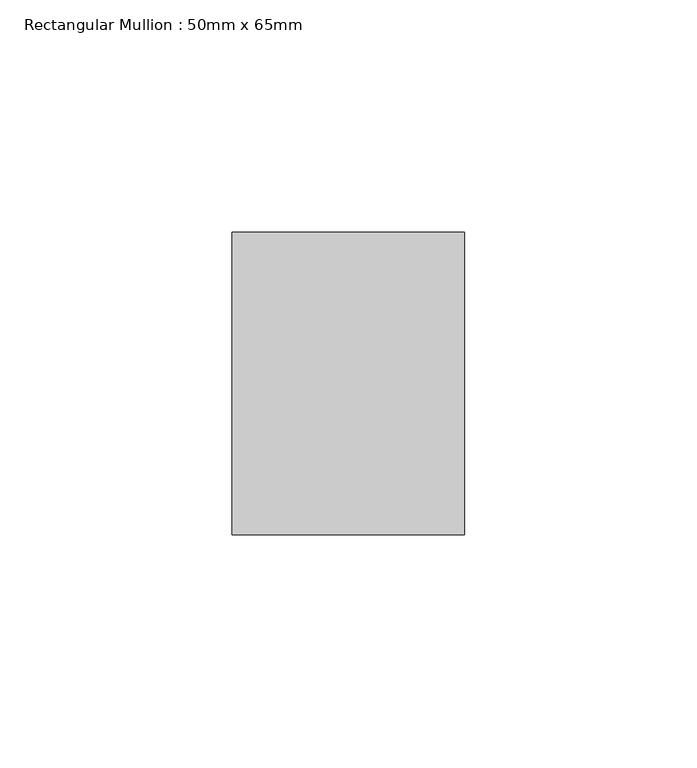
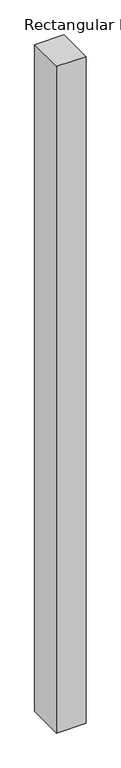
"""IFC4 building model written with IfcOpenShell, lengths in millimetres: member geometry, Rectangular Mullion : 50mm x 65mm."""

from ifc_helpers import new_model, si_unit, frame, origin, place, context, project, spatial, polyline, outline, extrude, source, transform, mapped, element, save


def rectangular_mullion_50mm_x_65mm_d4d91e7b(model_context):
    return source(origin(), model_context, "Body", "SweptSolid", [
        extrude(outline(polyline([(25.0, 32.5), (25.0, -32.5), (-25.0, -32.5), (-25.0, 32.5), (25.0, 32.5)])), frame((0.0, 0.0, -1205.1794232), z_axis=(0.0, 0.0, 1.0), x_axis=(1.0, 0.0, 0.0)), (0.0, 0.0, 1.0), 1205.1794232),
    ])


if __name__ == "__main__":
    model = new_model("IFC4")
    model_context = context("Model", 3, world=origin())
    ifc_project = project(units=[si_unit("LENGTHUNIT", "METRE", prefix="MILLI")], contexts=[model_context])
    site = spatial("IfcSite", under=ifc_project)
    building = spatial("IfcBuilding", under=site)
    placement = place(None, origin())
    rectangular_mullion_50mm_x_65mm_shape = rectangular_mullion_50mm_x_65mm_d4d91e7b(model_context)
    element("IfcMember", 1, ObjectType="Rectangular Mullion : 50mm x 65mm", at=placement, inside=building, context=model_context, shape_type="MappedRepresentation", body=[
        mapped(rectangular_mullion_50mm_x_65mm_shape, transform((0.0, 0.0, 0.0), x_axis=(1.0, 0.0, 0.0), y_axis=(0.0, 1.0, 0.0), z_axis=(0.0, 0.0, 1.0))),
    ])
    save(model, "model.ifc")
